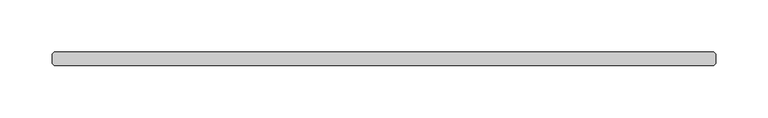
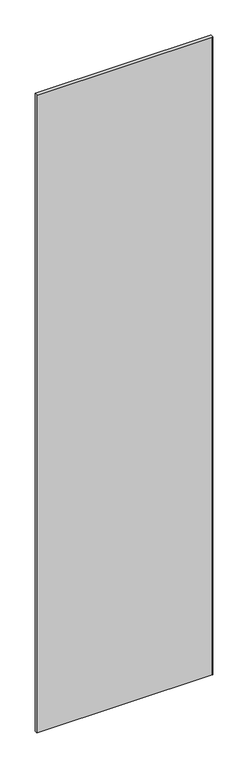
"""IFC4 building model written with IfcOpenShell, lengths in millimetres: plate geometry."""

from ifc_helpers import new_model, si_unit, origin, origin_with_axes, place, context, project, spatial, polyline, outline, extrude, source, transform, mapped, element, save


def plate_6d84fe53(model_context):
    return source(origin(), model_context, "Body", "SweptSolid", [
        extrude(outline(polyline([(315.11875, -6.35), (-315.11875, -6.35), (-316.70625, -4.7625), (-316.70625, 4.7625), (-315.11875, 6.35), (315.11875, 6.35), (316.70625, 4.7625), (316.70625, -4.7625), (315.11875, -6.35)])), origin_with_axes(), (0.0, 0.0, 1.0), 2427.1914267),
    ])


if __name__ == "__main__":
    model = new_model("IFC4")
    model_context = context("Model", 3, world=origin())
    ifc_project = project(units=[si_unit("LENGTHUNIT", "METRE", prefix="MILLI")], contexts=[model_context])
    site = spatial("IfcSite", under=ifc_project)
    building = spatial("IfcBuilding", under=site)
    placement = place(None, origin())
    plate_shape = plate_6d84fe53(model_context)
    element("IfcPlate", 1, at=placement, inside=building, context=model_context, shape_type="MappedRepresentation", body=[
        mapped(plate_shape, transform((0.0, 0.0, 0.0), x_axis=(1.0, 0.0, 0.0), y_axis=(0.0, 1.0, 0.0), z_axis=(0.0, 0.0, 1.0))),
    ])
    save(model, "model.ifc")
